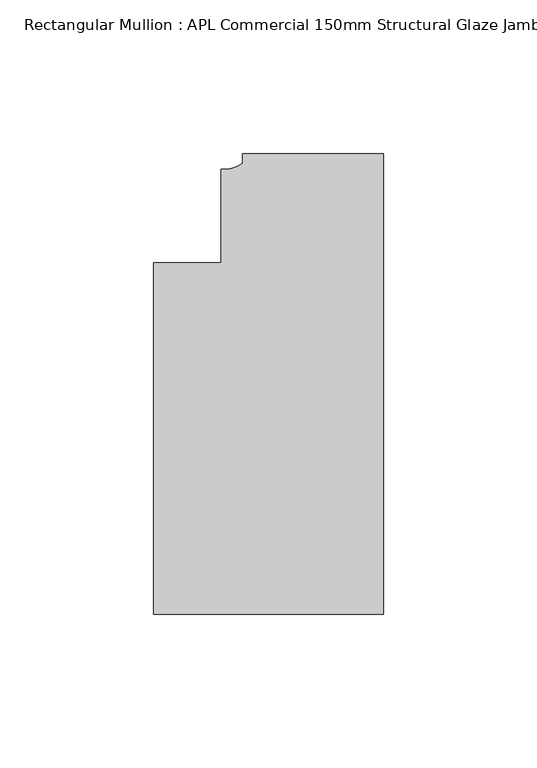
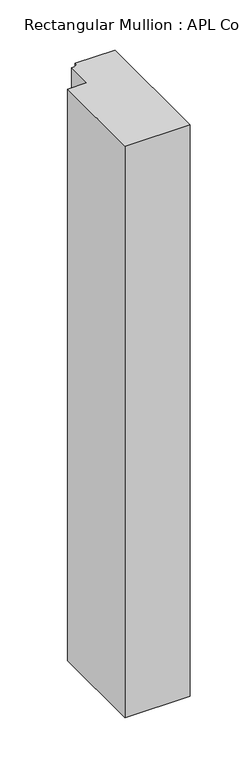
"""IFC4 building model written with IfcOpenShell, lengths in millimetres: member geometry, Rectangular Mullion : APL Commercial 150mm Structural Glaze Jamb Frame (left)."""

import ifcopenshell
import ifcopenshell.guid

model = None  # the IFC model being written
_history = None  # IfcOwnerHistory: only IFC2X3 demands one
_inside = {}  # id of a spatial element -> (the spatial element, [elements in it])
_under = {}  # id of a project, library or spatial element -> (it, [spatial elements below it])
_declared = {}  # id of a project -> (the project, [libraries it declares])
_typed = {}  # id of a type object -> (the type object, [elements of that type])
_made_of = {}  # id of a material, layer set ... -> (it, [elements and type objects made of it])


def new_model(schema):
    """Start an empty IFC model of exactly this schema.

    Asked for "IFC4X3", IfcOpenShell would pick the latest addendum, in which some entities
    have other attributes; the version numbers below select the first issue.
    IFC2X3 requires an IfcOwnerHistory on every rooted entity: one is made here for all.
    """
    global model, _history
    if schema == "IFC4X3":
        model = ifcopenshell.file(schema_version=(4, 3, 0, 0))
    else:
        model = ifcopenshell.file(schema=schema)
    _inside.clear()
    _under.clear()
    _declared.clear()
    _typed.clear()
    _made_of.clear()
    _history = None
    if model.schema == "IFC2X3":
        org = make("IfcOrganization", Name="unknown")
        user = make(
            "IfcPersonAndOrganization",
            ThePerson=make("IfcPerson", FamilyName="unknown"),
            TheOrganization=org,
        )
        app = make(
            "IfcApplication",
            ApplicationDeveloper=org,
            Version="unknown",
            ApplicationFullName="unknown",
            ApplicationIdentifier="unknown",
        )
        _history = make(
            "IfcOwnerHistory",
            OwningUser=user,
            OwningApplication=app,
            ChangeAction="ADDED",
            CreationDate=0,
        )
    return model


def make(cls, **values):
    """One entity of the class cls with the attributes given. An attribute that is None is left unset."""
    return model.create_entity(
        cls, **{name: value for name, value in values.items() if value is not None}
    )


def rooted(cls, **values):
    """An entity with a GlobalId (a new one), such as an element, a storey or a relation."""
    return make(cls, GlobalId=ifcopenshell.guid.new(), OwnerHistory=_history, **values)


def si_unit(unit_type, name, prefix=None):
    """IfcSIUnit, for example si_unit("LENGTHUNIT", "METRE", prefix="MILLI")."""
    return make("IfcSIUnit", UnitType=unit_type, Prefix=prefix, Name=name)


def assignment(units):
    """IfcUnitAssignment: the units of a project."""
    return None if units is None else make("IfcUnitAssignment", Units=units)


def point(xyz):
    """IfcCartesianPoint."""
    return None if xyz is None else make("IfcCartesianPoint", Coordinates=xyz)


def direction(xyz):
    """IfcDirection."""
    return None if xyz is None else make("IfcDirection", DirectionRatios=xyz)


def frame(location, z_axis=None, x_axis=None):
    """IfcAxis2Placement3D, a coordinate frame: its origin and axes. An axis left out is left unset."""
    return make(
        "IfcAxis2Placement3D",
        Location=point(location),
        Axis=direction(z_axis),
        RefDirection=direction(x_axis),
    )


def frame_2d(location, x_axis=None):
    """IfcAxis2Placement2D, a coordinate frame in the plane: its origin and x axis."""
    return make(
        "IfcAxis2Placement2D", Location=point(location), RefDirection=direction(x_axis)
    )


def origin():
    """The frame at (0, 0, 0) with its axes left unset."""
    return frame((0.0, 0.0, 0.0))


def place(relative_to, where):
    """IfcLocalPlacement: puts the frame where relative to a parent placement (None: the world)."""
    return make(
        "IfcLocalPlacement", PlacementRelTo=relative_to, RelativePlacement=where
    )


def context(
    kind, dimensions, precision=None, world=None, true_north=None, identifier=None
):
    """IfcGeometricRepresentationContext, for example the 3D "Model" context."""
    return make(
        "IfcGeometricRepresentationContext",
        ContextIdentifier=identifier,
        ContextType=kind,
        CoordinateSpaceDimension=dimensions,
        Precision=precision,
        WorldCoordinateSystem=world,
        TrueNorth=true_north,
    )


def project(units=None, contexts=None):
    """IfcProject with its units and contexts."""
    return rooted(
        "IfcProject",
        Name="project",
        RepresentationContexts=contexts,
        UnitsInContext=assignment(units),
    )


def spatial(cls, under=None, at=None, **own):
    """A site, building, storey or space (cls), placed at a placement, below another one or the project."""
    s = rooted(cls, ObjectPlacement=at, **own)
    if under is not None:
        _under.setdefault(under.id(), (under, []))[1].append(s)
    return s


def polyline(points):
    """IfcPolyline through the points."""
    return make("IfcPolyline", Points=[point(p) for p in points])


def circle_curve(where, radius):
    """IfcCircle in the frame where."""
    return make("IfcCircle", Position=where, Radius=radius)


def trimmed(basis, trim1, trim2, sense, master):
    """IfcTrimmedCurve: the piece of a basis curve between two trims."""
    return make(
        "IfcTrimmedCurve",
        BasisCurve=basis,
        Trim1=trim1,
        Trim2=trim2,
        SenseAgreement=sense,
        MasterRepresentation=master,
    )


def segment(curve, same_sense, transition):
    """IfcCompositeCurveSegment."""
    return make(
        "IfcCompositeCurveSegment",
        Transition=transition,
        SameSense=same_sense,
        ParentCurve=curve,
    )


def composite_curve(segments, self_intersect=None):
    """IfcCompositeCurve: segments joined end to end."""
    return make("IfcCompositeCurve", Segments=segments, SelfIntersect=self_intersect)


def outline(outer, holes=None, kind="AREA"):
    """IfcArbitraryClosedProfileDef: a profile drawn as a closed curve; with holes, ...WithVoids."""
    if holes is None:
        return make("IfcArbitraryClosedProfileDef", ProfileType=kind, OuterCurve=outer)
    return make(
        "IfcArbitraryProfileDefWithVoids",
        ProfileType=kind,
        OuterCurve=outer,
        InnerCurves=holes,
    )


def extrude(swept, where, along, depth):
    """IfcExtrudedAreaSolid: the profile swept, set in the frame where, extruded along a direction by depth."""
    return make(
        "IfcExtrudedAreaSolid",
        SweptArea=swept,
        Position=where,
        ExtrudedDirection=direction(along),
        Depth=depth,
    )


def shape(context_of_items, identifier, shape_type, items):
    """IfcShapeRepresentation: the items that make up one representation, for example the "Body"."""
    return make(
        "IfcShapeRepresentation",
        ContextOfItems=context_of_items,
        RepresentationIdentifier=identifier,
        RepresentationType=shape_type,
        Items=items,
    )


def source(mapping_origin, context_of_items, identifier, shape_type, items):
    """IfcRepresentationMap: a shape defined once, which mapped items show again and again."""
    return make(
        "IfcRepresentationMap",
        MappingOrigin=mapping_origin,
        MappedRepresentation=shape(context_of_items, identifier, shape_type, items),
    )


def transform(
    local_origin,
    x_axis=None,
    y_axis=None,
    z_axis=None,
    scale=None,
    scale2=None,
    scale3=None,
    uniform=True,
):
    """IfcCartesianTransformationOperator3D, or its non-uniform kind. x_axis, y_axis, z_axis: its Axis1, 2, 3."""
    if uniform:
        return make(
            "IfcCartesianTransformationOperator3D",
            Axis1=direction(x_axis),
            Axis2=direction(y_axis),
            LocalOrigin=point(local_origin),
            Scale=scale,
            Axis3=direction(z_axis),
        )
    return make(
        "IfcCartesianTransformationOperator3DnonUniform",
        Axis1=direction(x_axis),
        Axis2=direction(y_axis),
        LocalOrigin=point(local_origin),
        Scale=scale,
        Axis3=direction(z_axis),
        Scale2=scale2,
        Scale3=scale3,
    )


def mapped(mapping_source, mapping_target):
    """IfcMappedItem: shows the shape of a source again, moved by a transform."""
    return make(
        "IfcMappedItem", MappingSource=mapping_source, MappingTarget=mapping_target
    )


def made_of(thing, what):
    """Note that an element or type object is made of a material, layer set ...; save() writes the relation."""
    if what is not None:
        _made_of.setdefault(what.id(), (what, []))[1].append(thing)
    return thing


def element(
    cls,
    number,
    at=None,
    inside=None,
    cuts=None,
    type_object=None,
    material=None,
    context=None,
    identifier="Body",
    shape_type=None,
    held_by="IfcProductDefinitionShape",
    body=None,
    shapes=None,
    **own,
):
    """One element of the class cls, such as IfcWall. Its Tag is "e" and its number.

    at: its placement. inside: the storey or other place that contains it. cuts: it is an
    opening in that element (IfcRelVoidsElement). A single representation is given by context,
    identifier, shape_type and body (its items); several are given by shapes. held_by: the class
    of the entity that holds the representations. save() writes the other relations.
    """
    e = rooted(cls, Tag="e%d" % number, ObjectPlacement=at, **own)
    if body is not None:
        shapes = [shape(context, identifier, shape_type, body)]
    if shapes is not None:
        e.Representation = make(held_by, Representations=shapes)
    if inside is not None:
        _inside.setdefault(inside.id(), (inside, []))[1].append(e)
    if cuts is not None:
        rooted(
            "IfcRelVoidsElement", RelatingBuildingElement=cuts, RelatedOpeningElement=e
        )
    if type_object is not None:
        _typed.setdefault(type_object.id(), (type_object, []))[1].append(e)
    return made_of(e, material)


def aggregate(whole, parts):
    """IfcRelAggregates: a whole, such as a stair, and the parts it consists of."""
    return rooted("IfcRelAggregates", RelatingObject=whole, RelatedObjects=parts)


def save(model, path):
    """Write the relations noted so far, then the file.

    IfcRelAggregates (storeys below a building ...), IfcRelContainedInSpatialStructure (elements
    in a storey), IfcRelDefinesByType, IfcRelAssociatesMaterial and IfcRelDeclares: one each for
    every whole, place, type object, material and project.
    """
    for whole, parts in _under.values():
        aggregate(whole, parts)
    for where, things in _inside.values():
        rooted(
            "IfcRelContainedInSpatialStructure",
            RelatedElements=things,
            RelatingStructure=where,
        )
    for kind, things in _typed.values():
        rooted("IfcRelDefinesByType", RelatedObjects=things, RelatingType=kind)
    for what, things in _made_of.values():
        rooted("IfcRelAssociatesMaterial", RelatedObjects=things, RelatingMaterial=what)
    for by, libraries in _declared.values():
        rooted("IfcRelDeclares", RelatingContext=by, RelatedDefinitions=libraries)
    model.write(path)


def rectangular_mullion_apl_commercial_150mm_structural_glaze_7c73aab1(model_context):
    return source(origin(), model_context, "Body", "SweptSolid", [
        extrude(outline(composite_curve([segment(polyline([(0.0, 20.5), (0.0, -129.4999988), (-75.0, -129.4999988), (-75.0, -15.0000829), (-52.9999391, -15.0000829), (-52.9999391, 15.3797475)]), True, "CONTINUOUS"), segment(trimmed(circle_curve(frame_2d((-52.1098019, 25.7981812)), 10.4563907), [point((-52.9999391, 15.3797475))], [point((-45.9999842, 17.3125325))], True, "CARTESIAN"), True, "CONTINUOUS"), segment(polyline([(-45.9999842, 17.3125325), (-45.9999842, 20.5), (0.0, 20.5)]), True, "CONTINUOUS")], self_intersect=False)), frame((0.0, 0.0, -696.6149239), z_axis=(0.0, 0.0, 1.0), x_axis=(1.0, 0.0, 0.0)), (0.0, 0.0, 1.0), 696.6149239),
    ])


if __name__ == "__main__":
    model = new_model("IFC4")
    model_context = context("Model", 3, world=origin())
    ifc_project = project(units=[si_unit("LENGTHUNIT", "METRE", prefix="MILLI")], contexts=[model_context])
    site = spatial("IfcSite", under=ifc_project)
    building = spatial("IfcBuilding", under=site)
    placement = place(None, origin())
    rectangular_mullion_apl_commercial_150mm_structural_glaze_shape = rectangular_mullion_apl_commercial_150mm_structural_glaze_7c73aab1(model_context)
    element("IfcMember", 1, ObjectType="Rectangular Mullion : APL Commercial 150mm Structural Glaze Jamb Frame (left)", at=placement, inside=building, context=model_context, shape_type="MappedRepresentation", body=[
        mapped(rectangular_mullion_apl_commercial_150mm_structural_glaze_shape, transform((0.0, 0.0, 0.0), x_axis=(1.0, 0.0, 0.0), y_axis=(0.0, 1.0, 0.0), z_axis=(0.0, 0.0, 1.0))),
    ])
    save(model, "model.ifc")
